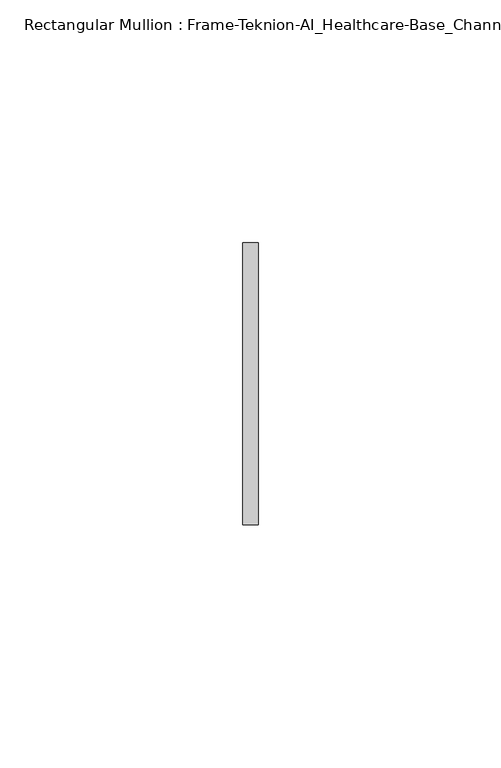
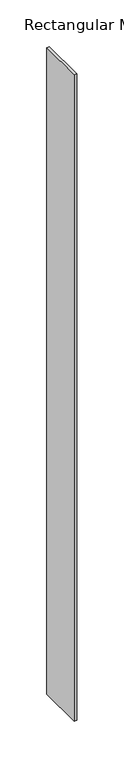
"""IFC4 building model written with IfcOpenShell, lengths in millimetres: member geometry, Rectangular Mullion : Frame-Teknion-AI_Healthcare-Base_Channel."""

from ifc_helpers import new_model, si_unit, frame, origin, place, context, project, spatial, polyline, outline, extrude, source, transform, mapped, element, save


def rectangular_mullion_frame_teknion_ai_healthcare_base_channel_36eaf591(model_context):
    return source(origin(), model_context, "Body", "SweptSolid", [
        extrude(outline(polyline([(0.0, 29.0214844), (0.0, -29.0214844), (-3.175, -29.0214844), (-3.175, 29.0214844), (0.0, 29.0214844)])), frame((0.0, 0.0, -840.7590981), z_axis=(0.0, 0.0, 1.0), x_axis=(1.0, 0.0, 0.0)), (0.0, 0.0, 1.0), 840.7590981),
    ])


if __name__ == "__main__":
    model = new_model("IFC4")
    model_context = context("Model", 3, world=origin())
    ifc_project = project(units=[si_unit("LENGTHUNIT", "METRE", prefix="MILLI")], contexts=[model_context])
    site = spatial("IfcSite", under=ifc_project)
    building = spatial("IfcBuilding", under=site)
    placement = place(None, origin())
    rectangular_mullion_frame_teknion_ai_healthcare_base_channel_shape = rectangular_mullion_frame_teknion_ai_healthcare_base_channel_36eaf591(model_context)
    element("IfcMember", 1, ObjectType="Rectangular Mullion : Frame-Teknion-AI_Healthcare-Base_Channel", at=placement, inside=building, context=model_context, shape_type="MappedRepresentation", body=[
        mapped(rectangular_mullion_frame_teknion_ai_healthcare_base_channel_shape, transform((0.0, 0.0, 0.0), x_axis=(1.0, 0.0, 0.0), y_axis=(0.0, 1.0, 0.0), z_axis=(0.0, 0.0, 1.0))),
    ])
    save(model, "model.ifc")
